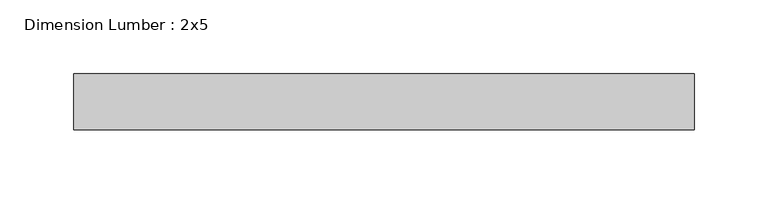
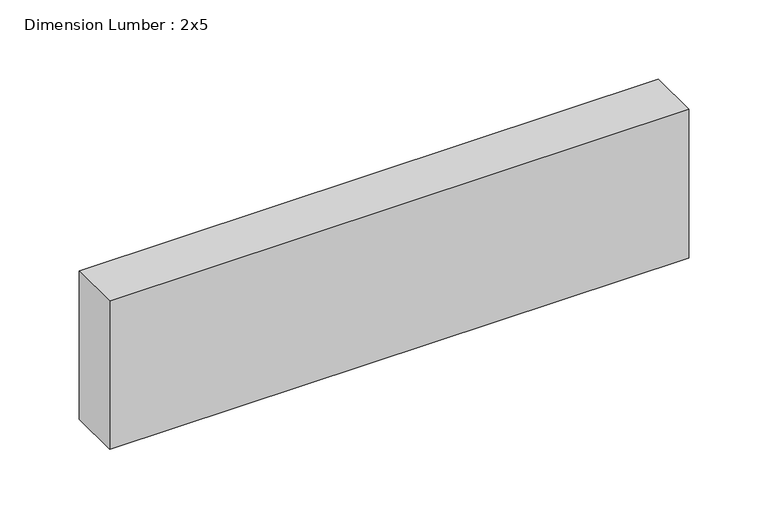
"""IFC4 building model written with IfcOpenShell, lengths in millimetres: beam geometry, Dimension Lumber : 2x5."""

from ifc_helpers import new_model, si_unit, frame, origin, place, context, project, spatial, polyline, outline, extrude, source, transform, mapped, element, save


def dimension_lumber_2x5_bb505221(model_context):
    return source(origin(), model_context, "Body", "SweptSolid", [
        extrude(outline(polyline([(212.987592, 19.05), (212.987592, -19.05), (-208.1362036, -19.05), (-208.1362036, 19.05), (212.987592, 19.05)])), frame((0.0, 0.0, -57.15), z_axis=(0.0, 0.0, 1.0), x_axis=(1.0, 0.0, 0.0)), (0.0, 0.0, 1.0), 114.3),
    ])


if __name__ == "__main__":
    model = new_model("IFC4")
    model_context = context("Model", 3, world=origin())
    ifc_project = project(units=[si_unit("LENGTHUNIT", "METRE", prefix="MILLI")], contexts=[model_context])
    site = spatial("IfcSite", under=ifc_project)
    building = spatial("IfcBuilding", under=site)
    placement = place(None, origin())
    dimension_lumber_2x5_shape = dimension_lumber_2x5_bb505221(model_context)
    element("IfcBeam", 1, ObjectType="Dimension Lumber : 2x5", at=placement, inside=building, context=model_context, shape_type="MappedRepresentation", body=[
        mapped(dimension_lumber_2x5_shape, transform((0.0, 0.0, 0.0), x_axis=(1.0, 0.0, 0.0), y_axis=(0.0, 1.0, 0.0), z_axis=(0.0, 0.0, 1.0))),
    ])
    save(model, "model.ifc")
